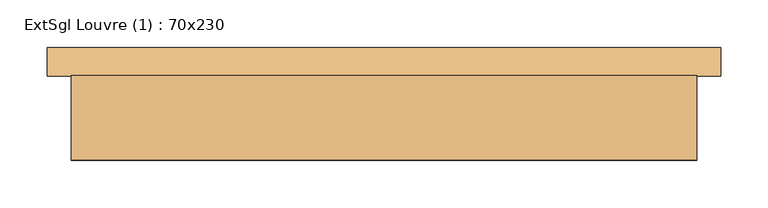
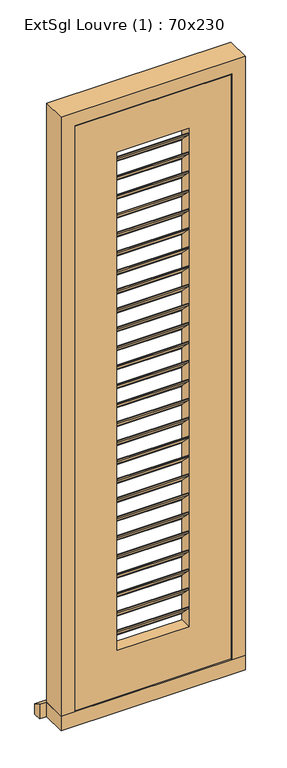
"""IFC4 building model written with IfcOpenShell, lengths in millimetres: door geometry, ExtSgl Louvre (1) : 70x230."""

from ifc_helpers import new_model, si_unit, point, frame, frame_2d, origin, place, context, project, spatial, polyline, circle_curve, trimmed, segment, composite_curve, outline, extrude, faceted_brep, source, transform, mapped, element, save


def extsgl_louvre_1_70x230_58b53476(model_context):
    return source(origin(), model_context, "Body", "SolidModel", [
        extrude(outline(composite_curve([segment(trimmed(circle_curve(frame_2d((1200.0, -203.5)), 19.0), [point((1200.0, -184.5))], [point((1200.0, -222.5))], False, "CARTESIAN"), True, "CONTINUOUS"), segment(trimmed(circle_curve(frame_2d((1200.0, -203.5)), 19.0), [point((1200.0, -222.5))], [point((1200.0, -184.5))], False, "CARTESIAN"), True, "CONTINUOUS")], self_intersect=False), holes=[composite_curve([segment(polyline([(1197.6985978, -202.5235023), (1188.3126735, -202.5235023), (1188.3126735, -204.4936963), (1197.7059713, -204.4936963)]), True, "CONTINUOUS"), segment(trimmed(circle_curve(frame_2d((1200.0, -203.5)), 2.5), [point((1197.7059713, -204.4936963))], [point((1197.6985978, -202.5235023))], True, "CARTESIAN"), True, "CONTINUOUS")], self_intersect=False)]), frame((0.0, 165.0, 0.0), z_axis=(0.0, 1.0, 0.0), x_axis=(0.0, 0.0, 1.0)), (0.0, 0.0, 1.0), 3.0),
        extrude(outline(polyline([(125.0, 2022.82), (165.0, 1982.82), (165.0, 1978.82), (162.0, 1978.82), (162.0, 1981.5773593), (122.0, 2021.5773593), (122.0, 2026.82), (125.0, 2026.82), (125.0, 2022.82)])), frame((-128.5, 0.0, 0.0), z_axis=(1.0, 0.0, 0.0), x_axis=(0.0, 1.0, 0.0)), (0.0, 0.0, 1.0), 257.0),
        extrude(outline(polyline([(125.0, 1951.14), (165.0, 1911.14), (165.0, 1907.14), (162.0, 1907.14), (162.0, 1909.8973593), (122.0, 1949.8973593), (122.0, 1955.14), (125.0, 1955.14), (125.0, 1951.14)])), frame((-128.5, 0.0, 0.0), z_axis=(1.0, 0.0, 0.0), x_axis=(0.0, 1.0, 0.0)), (0.0, 0.0, 1.0), 257.0),
        extrude(outline(polyline([(125.0, 1879.46), (165.0, 1839.46), (165.0, 1835.46), (162.0, 1835.46), (162.0, 1838.2173593), (122.0, 1878.2173593), (122.0, 1883.46), (125.0, 1883.46), (125.0, 1879.46)])), frame((-128.5, 0.0, 0.0), z_axis=(1.0, 0.0, 0.0), x_axis=(0.0, 1.0, 0.0)), (0.0, 0.0, 1.0), 257.0),
        extrude(outline(polyline([(125.0, 1807.78), (165.0, 1767.78), (165.0, 1763.78), (162.0, 1763.78), (162.0, 1766.5373593), (122.0, 1806.5373593), (122.0, 1811.78), (125.0, 1811.78), (125.0, 1807.78)])), frame((-128.5, 0.0, 0.0), z_axis=(1.0, 0.0, 0.0), x_axis=(0.0, 1.0, 0.0)), (0.0, 0.0, 1.0), 257.0),
        extrude(outline(polyline([(125.0, 1736.1), (165.0, 1696.1), (165.0, 1692.1), (162.0, 1692.1), (162.0, 1694.8573593), (122.0, 1734.8573593), (122.0, 1740.1), (125.0, 1740.1), (125.0, 1736.1)])), frame((-128.5, 0.0, 0.0), z_axis=(1.0, 0.0, 0.0), x_axis=(0.0, 1.0, 0.0)), (0.0, 0.0, 1.0), 257.0),
        extrude(outline(polyline([(125.0, 1664.42), (165.0, 1624.42), (165.0, 1620.42), (162.0, 1620.42), (162.0, 1623.1773593), (122.0, 1663.1773593), (122.0, 1668.42), (125.0, 1668.42), (125.0, 1664.42)])), frame((-128.5, 0.0, 0.0), z_axis=(1.0, 0.0, 0.0), x_axis=(0.0, 1.0, 0.0)), (0.0, 0.0, 1.0), 257.0),
        extrude(outline(polyline([(125.0, 1592.74), (165.0, 1552.74), (165.0, 1548.74), (162.0, 1548.74), (162.0, 1551.4973593), (122.0, 1591.4973593), (122.0, 1596.74), (125.0, 1596.74), (125.0, 1592.74)])), frame((-128.5, 0.0, 0.0), z_axis=(1.0, 0.0, 0.0), x_axis=(0.0, 1.0, 0.0)), (0.0, 0.0, 1.0), 257.0),
        extrude(outline(polyline([(125.0, 1521.06), (165.0, 1481.06), (165.0, 1477.06), (162.0, 1477.06), (162.0, 1479.8173593), (122.0, 1519.8173593), (122.0, 1525.06), (125.0, 1525.06), (125.0, 1521.06)])), frame((-128.5, 0.0, 0.0), z_axis=(1.0, 0.0, 0.0), x_axis=(0.0, 1.0, 0.0)), (0.0, 0.0, 1.0), 257.0),
        extrude(outline(polyline([(125.0, 1449.38), (165.0, 1409.38), (165.0, 1405.38), (162.0, 1405.38), (162.0, 1408.1373593), (122.0, 1448.1373593), (122.0, 1453.38), (125.0, 1453.38), (125.0, 1449.38)])), frame((-128.5, 0.0, 0.0), z_axis=(1.0, 0.0, 0.0), x_axis=(0.0, 1.0, 0.0)), (0.0, 0.0, 1.0), 257.0),
        extrude(outline(polyline([(125.0, 1377.7), (165.0, 1337.7), (165.0, 1333.7), (162.0, 1333.7), (162.0, 1336.4573593), (122.0, 1376.4573593), (122.0, 1381.7), (125.0, 1381.7), (125.0, 1377.7)])), frame((-128.5, 0.0, 0.0), z_axis=(1.0, 0.0, 0.0), x_axis=(0.0, 1.0, 0.0)), (0.0, 0.0, 1.0), 257.0),
        extrude(outline(polyline([(125.0, 1306.02), (165.0, 1266.02), (165.0, 1262.02), (162.0, 1262.02), (162.0, 1264.7773593), (122.0, 1304.7773593), (122.0, 1310.02), (125.0, 1310.02), (125.0, 1306.02)])), frame((-128.5, 0.0, 0.0), z_axis=(1.0, 0.0, 0.0), x_axis=(0.0, 1.0, 0.0)), (0.0, 0.0, 1.0), 257.0),
        extrude(outline(polyline([(125.0, 1234.34), (165.0, 1194.34), (165.0, 1190.34), (162.0, 1190.34), (162.0, 1193.0973593), (122.0, 1233.0973593), (122.0, 1238.34), (125.0, 1238.34), (125.0, 1234.34)])), frame((-128.5, 0.0, 0.0), z_axis=(1.0, 0.0, 0.0), x_axis=(0.0, 1.0, 0.0)), (0.0, 0.0, 1.0), 257.0),
        extrude(outline(polyline([(125.0, 1162.66), (165.0, 1122.66), (165.0, 1118.66), (162.0, 1118.66), (162.0, 1121.4173593), (122.0, 1161.4173593), (122.0, 1166.66), (125.0, 1166.66), (125.0, 1162.66)])), frame((-128.5, 0.0, 0.0), z_axis=(1.0, 0.0, 0.0), x_axis=(0.0, 1.0, 0.0)), (0.0, 0.0, 1.0), 257.0),
        extrude(outline(polyline([(125.0, 1090.98), (165.0, 1050.98), (165.0, 1046.98), (162.0, 1046.98), (162.0, 1049.7373593), (122.0, 1089.7373593), (122.0, 1094.98), (125.0, 1094.98), (125.0, 1090.98)])), frame((-128.5, 0.0, 0.0), z_axis=(1.0, 0.0, 0.0), x_axis=(0.0, 1.0, 0.0)), (0.0, 0.0, 1.0), 257.0),
        extrude(outline(polyline([(125.0, 1019.3), (165.0, 979.3), (165.0, 975.3), (162.0, 975.3), (162.0, 978.0573593), (122.0, 1018.0573593), (122.0, 1023.3), (125.0, 1023.3), (125.0, 1019.3)])), frame((-128.5, 0.0, 0.0), z_axis=(1.0, 0.0, 0.0), x_axis=(0.0, 1.0, 0.0)), (0.0, 0.0, 1.0), 257.0),
        extrude(outline(polyline([(125.0, 947.62), (165.0, 907.62), (165.0, 903.62), (162.0, 903.62), (162.0, 906.3773593), (122.0, 946.3773593), (122.0, 951.62), (125.0, 951.62), (125.0, 947.62)])), frame((-128.5, 0.0, 0.0), z_axis=(1.0, 0.0, 0.0), x_axis=(0.0, 1.0, 0.0)), (0.0, 0.0, 1.0), 257.0),
        extrude(outline(polyline([(125.0, 875.94), (165.0, 835.94), (165.0, 831.94), (162.0, 831.94), (162.0, 834.6973593), (122.0, 874.6973593), (122.0, 879.94), (125.0, 879.94), (125.0, 875.94)])), frame((-128.5, 0.0, 0.0), z_axis=(1.0, 0.0, 0.0), x_axis=(0.0, 1.0, 0.0)), (0.0, 0.0, 1.0), 257.0),
        extrude(outline(polyline([(125.0, 804.26), (165.0, 764.26), (165.0, 760.26), (162.0, 760.26), (162.0, 763.0173593), (122.0, 803.0173593), (122.0, 808.26), (125.0, 808.26), (125.0, 804.26)])), frame((-128.5, 0.0, 0.0), z_axis=(1.0, 0.0, 0.0), x_axis=(0.0, 1.0, 0.0)), (0.0, 0.0, 1.0), 257.0),
        extrude(outline(polyline([(125.0, 732.58), (165.0, 692.58), (165.0, 688.58), (162.0, 688.58), (162.0, 691.3373593), (122.0, 731.3373593), (122.0, 736.58), (125.0, 736.58), (125.0, 732.58)])), frame((-128.5, 0.0, 0.0), z_axis=(1.0, 0.0, 0.0), x_axis=(0.0, 1.0, 0.0)), (0.0, 0.0, 1.0), 257.0),
        extrude(outline(polyline([(125.0, 660.9), (165.0, 620.9), (165.0, 616.9), (162.0, 616.9), (162.0, 619.6573593), (122.0, 659.6573593), (122.0, 664.9), (125.0, 664.9), (125.0, 660.9)])), frame((-128.5, 0.0, 0.0), z_axis=(1.0, 0.0, 0.0), x_axis=(0.0, 1.0, 0.0)), (0.0, 0.0, 1.0), 257.0),
        extrude(outline(polyline([(125.0, 589.22), (165.0, 549.22), (165.0, 545.22), (162.0, 545.22), (162.0, 547.9773593), (122.0, 587.9773593), (122.0, 593.22), (125.0, 593.22), (125.0, 589.22)])), frame((-128.5, 0.0, 0.0), z_axis=(1.0, 0.0, 0.0), x_axis=(0.0, 1.0, 0.0)), (0.0, 0.0, 1.0), 257.0),
        extrude(outline(polyline([(125.0, 517.54), (165.0, 477.54), (165.0, 473.54), (162.0, 473.54), (162.0, 476.2973593), (122.0, 516.2973593), (122.0, 521.54), (125.0, 521.54), (125.0, 517.54)])), frame((-128.5, 0.0, 0.0), z_axis=(1.0, 0.0, 0.0), x_axis=(0.0, 1.0, 0.0)), (0.0, 0.0, 1.0), 257.0),
        extrude(outline(polyline([(125.0, 445.86), (165.0, 405.86), (165.0, 401.86), (162.0, 401.86), (162.0, 404.6173593), (122.0, 444.6173593), (122.0, 449.86), (125.0, 449.86), (125.0, 445.86)])), frame((-128.5, 0.0, 0.0), z_axis=(1.0, 0.0, 0.0), x_axis=(0.0, 1.0, 0.0)), (0.0, 0.0, 1.0), 257.0),
        extrude(outline(polyline([(125.0, 374.18), (165.0, 334.18), (165.0, 330.18), (162.0, 330.18), (162.0, 332.9373593), (122.0, 372.9373593), (122.0, 378.18), (125.0, 378.18), (125.0, 374.18)])), frame((-128.5, 0.0, 0.0), z_axis=(1.0, 0.0, 0.0), x_axis=(0.0, 1.0, 0.0)), (0.0, 0.0, 1.0), 257.0),
        extrude(outline(polyline([(125.0, 2094.5), (165.0, 2054.5), (165.0, 2050.5), (162.0, 2050.5), (162.0, 2053.2573593), (122.0, 2093.2573593), (122.0, 2098.5), (125.0, 2098.5), (125.0, 2094.5)])), frame((-128.5, 0.0, 0.0), z_axis=(1.0, 0.0, 0.0), x_axis=(0.0, 1.0, 0.0)), (0.0, 0.0, 1.0), 257.0),
        extrude(outline(polyline([(125.0, 302.5), (165.0, 262.5), (165.0, 258.5), (162.0, 258.5), (162.0, 261.2573593), (122.0, 301.2573593), (122.0, 306.5), (125.0, 306.5), (125.0, 302.5)])), frame((-128.5, 0.0, 0.0), z_axis=(1.0, 0.0, 0.0), x_axis=(0.0, 1.0, 0.0)), (0.0, 0.0, 1.0), 257.0),
        faceted_brep([(259.5, 210.0, 54.5), (330.0, 210.0, 54.5), (330.0, 121.0, 54.5), (281.5, 121.0, 54.5), (281.5, 168.0, 54.5), (259.5, 168.0, 54.5), (259.5, 210.0, 2249.5), (-259.5, 210.0, 2249.5), (-259.5, 210.0, 54.5), (-330.0, 210.0, 54.5), (-330.0, 210.0, 2320.0), (330.0, 210.0, 2320.0), (330.0, 121.0, 2320.0), (-330.0, 121.0, 2320.0), (-330.0, 121.0, 54.5), (-281.5, 121.0, 54.5), (-281.5, 121.0, 2271.5), (281.5, 121.0, 2271.5), (281.5, 168.0, 2271.5), (-281.5, 168.0, 2271.5), (-281.5, 168.0, 54.5), (-259.5, 168.0, 54.5), (-259.5, 168.0, 2249.5), (259.5, 168.0, 2249.5)], [[[0, 1, 2, 3, 4, 5]], [[1, 0, 6, 7, 8, 9, 10, 11]], [[2, 1, 11, 12]], [[3, 2, 12, 13, 14, 15, 16, 17]], [[4, 3, 17, 18]], [[5, 4, 18, 19, 20, 21, 22, 23]], [[0, 5, 23, 6]], [[7, 22, 21, 8]], [[8, 21, 20, 15, 14, 9]], [[13, 10, 9, 14]], [[19, 16, 15, 20]], [[12, 11, 10, 13]], [[18, 17, 16, 19]], [[6, 23, 22, 7]]]),
        faceted_brep([(355.0, 240.0, 0.0), (355.0, 240.0, 38.5947221), (355.0, 210.0, 54.5), (355.0, 210.0, 0.0), (-355.0, 210.0, 54.5), (-355.0, 240.0, 38.5947221), (-355.0, 240.0, 0.0), (-355.0, 210.0, 0.0), (330.0, 210.0, 0.0), (330.0, 121.0, 0.0), (-330.0, 121.0, 0.0), (-330.0, 210.0, 0.0), (-330.0, 210.0, 54.5), (330.0, 210.0, 54.5), (-330.0, 121.0, 54.5), (330.0, 121.0, 54.5)], [[[0, 1, 2, 3]], [[4, 5, 6, 7]], [[6, 0, 3, 8, 9, 10, 11, 7]], [[1, 0, 6, 5]], [[2, 1, 5, 4, 12, 13]], [[12, 14, 15, 13]], [[14, 10, 9, 15]], [[12, 11, 10, 14]], [[11, 12, 4, 7]], [[8, 13, 15, 9]], [[13, 8, 3, 2]]]),
        extrude(outline(polyline([(58.5, 278.5), (2268.5, 278.5), (2268.5, -279.4250294), (58.5, -279.4250294), (58.5, 278.5)]), holes=[polyline([(233.5, -128.5), (2118.5, -128.5), (2118.5, 128.5), (233.5, 128.5), (233.5, -128.5)])]), frame((0.0, 121.0, 0.0), z_axis=(0.0, 1.0, 0.0), x_axis=(0.0, 0.0, 1.0)), (0.0, 0.0, 1.0), 44.0),
    ])


if __name__ == "__main__":
    model = new_model("IFC4")
    model_context = context("Model", 3, world=origin())
    ifc_project = project(units=[si_unit("LENGTHUNIT", "METRE", prefix="MILLI")], contexts=[model_context])
    site = spatial("IfcSite", under=ifc_project)
    building = spatial("IfcBuilding", under=site)
    placement = place(None, origin())
    extsgl_louvre_1_70x230_shape = extsgl_louvre_1_70x230_58b53476(model_context)
    element("IfcDoor", 1, ObjectType="ExtSgl Louvre (1) : 70x230", at=placement, inside=building, context=model_context, shape_type="MappedRepresentation", body=[
        mapped(extsgl_louvre_1_70x230_shape, transform((0.0, 0.0, 0.0), x_axis=(1.0, 0.0, 0.0), y_axis=(0.0, 1.0, 0.0), z_axis=(0.0, 0.0, 1.0))),
    ])
    save(model, "model.ifc")
